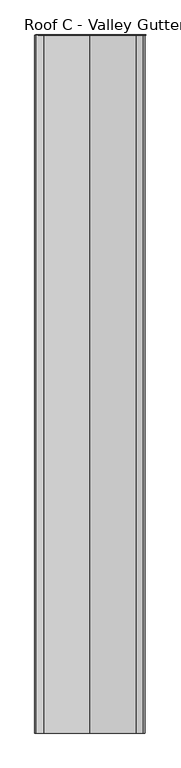
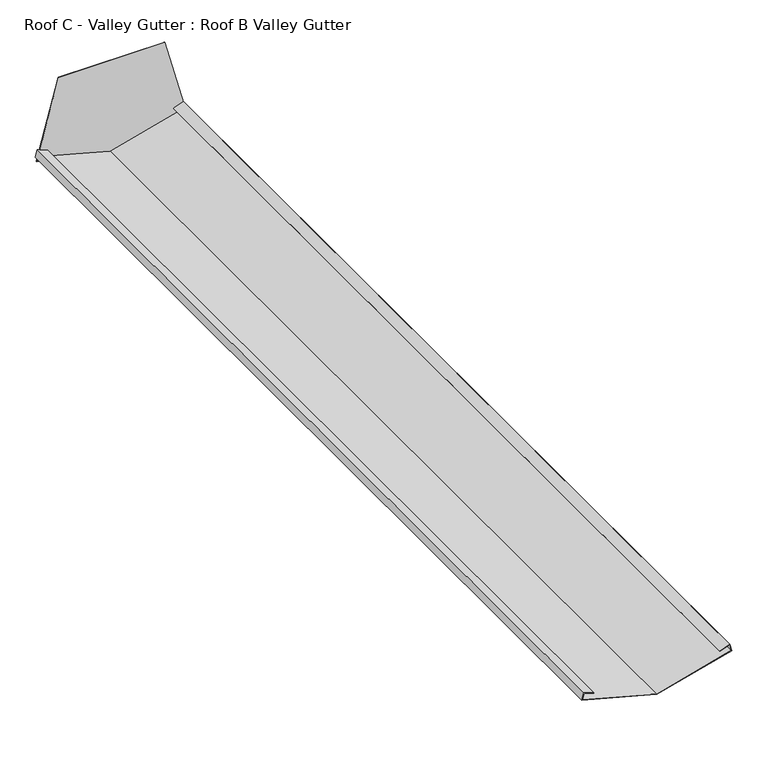
"""IFC4 building model written with IfcOpenShell, lengths in millimetres: proxy geometry, Roof C - Valley Gutter : Roof B Valley Gutter."""

from ifc_helpers import new_model, si_unit, frame, origin, place, context, project, spatial, polyline, outline, extrude, source, transform, mapped, element, save


def roof_c_valley_gutter_roof_b_valley_gutter_f2f1ca9c(model_context):
    return source(origin(), model_context, "Body", "SweptSolid", [
        extrude(outline(polyline([(3166.5503444, 4715.4668701), (3223.5454187, 4928.1753831), (3448.6061362, 4867.8705456), (3448.6061362, 4569.8940257), (3221.8377109, 4509.1316093), (3166.5503444, 4715.4668701)])), frame((0.0, -85.5, 0.0), z_axis=(0.0, 1.0, 0.0), x_axis=(0.0, 0.0, 1.0)), (0.0, 0.0, 1.0), 2.0),
        extrude(outline(polyline([(3236.8095612, 4506.4140093), (3255.0739547, 4511.3079388), (3245.1865999, 4538.4732229), (3246.1262925, 4538.815243), (3256.3868968, 4510.6244644), (3236.1024544, 4505.1892645), (3179.8838373, 4715.0), (3236.1024544, 4924.8107355), (3256.3868968, 4919.3755356), (3246.1262925, 4891.184757), (3245.1865999, 4891.5267771), (3255.0739547, 4918.6920612), (3236.8095612, 4923.5859907), (3180.9191134, 4715.0), (3236.8095612, 4506.4140093)])), frame((0.0, -2735.0, 0.0), z_axis=(0.0, 1.0, 0.0), x_axis=(0.0, 0.0, 1.0)), (0.0, 0.0, 1.0), 2649.5),
    ])


if __name__ == "__main__":
    model = new_model("IFC4")
    model_context = context("Model", 3, world=origin())
    ifc_project = project(units=[si_unit("LENGTHUNIT", "METRE", prefix="MILLI")], contexts=[model_context])
    site = spatial("IfcSite", under=ifc_project)
    building = spatial("IfcBuilding", under=site)
    placement = place(None, origin())
    roof_c_valley_gutter_roof_b_valley_gutter_shape = roof_c_valley_gutter_roof_b_valley_gutter_f2f1ca9c(model_context)
    element("IfcBuildingElementProxy", 1, Name="Roof C - Valley Gutter : Roof B Valley Gutter", ObjectType="Roof C - Valley Gutter : Roof B Valley Gutter", at=placement, inside=building, context=model_context, shape_type="MappedRepresentation", body=[
        mapped(roof_c_valley_gutter_roof_b_valley_gutter_shape, transform((0.0, 0.0, 0.0), x_axis=(1.0, 0.0, 0.0), y_axis=(0.0, 1.0, 0.0), z_axis=(0.0, 0.0, 1.0))),
    ])
    save(model, "model.ifc")
